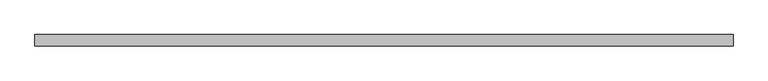
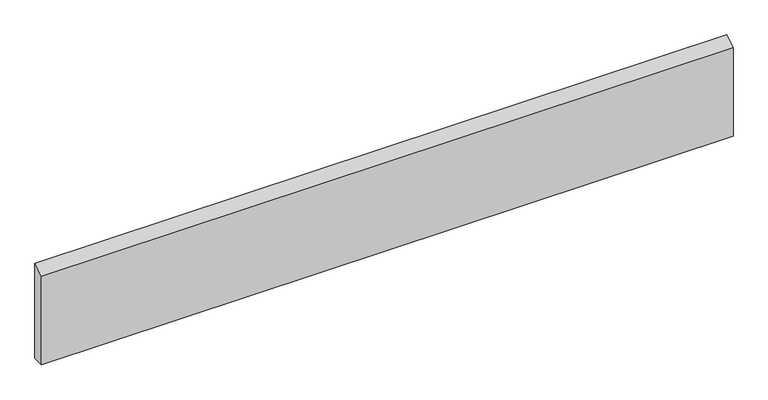
"""IFC4 building model written with IfcOpenShell, lengths in millimetres: beam geometry."""

from ifc_helpers import new_model, si_unit, frame, origin, place, context, project, spatial, polyline, outline, extrude, source, transform, mapped, element, save


def beam_77d3c383(model_context):
    return source(origin(), model_context, "Body", "SweptSolid", [
        extrude(outline(polyline([(9.525, 95.2003906), (9.525, -72.9753906), (-9.525, -72.9753906), (-9.525, 84.0878906), (9.525, 95.2003906)])), frame((-581.025, 0.0, 0.0), z_axis=(1.0, 0.0, 0.0), x_axis=(0.0, 1.0, 0.0)), (0.0, 0.0, 1.0), 1162.05),
    ])


if __name__ == "__main__":
    model = new_model("IFC4")
    model_context = context("Model", 3, world=origin())
    ifc_project = project(units=[si_unit("LENGTHUNIT", "METRE", prefix="MILLI")], contexts=[model_context])
    site = spatial("IfcSite", under=ifc_project)
    building = spatial("IfcBuilding", under=site)
    placement = place(None, origin())
    beam_shape = beam_77d3c383(model_context)
    element("IfcBeam", 1, at=placement, inside=building, context=model_context, shape_type="MappedRepresentation", body=[
        mapped(beam_shape, transform((0.0, 0.0, 0.0), x_axis=(1.0, 0.0, 0.0), y_axis=(0.0, 1.0, 0.0), z_axis=(0.0, 0.0, 1.0))),
    ])
    save(model, "model.ifc")
